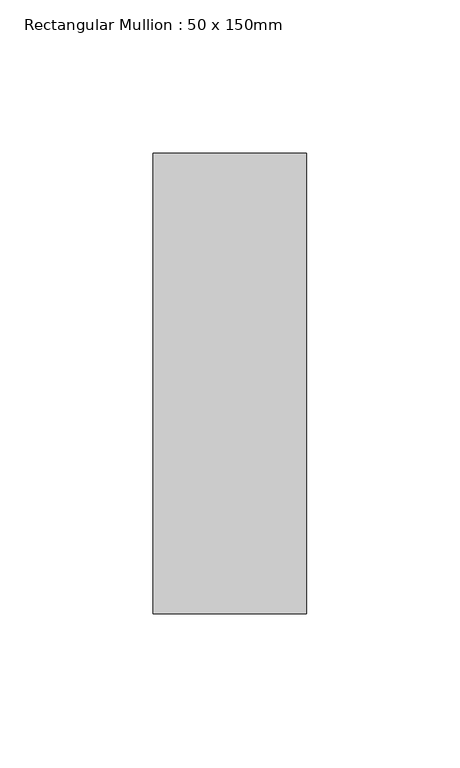
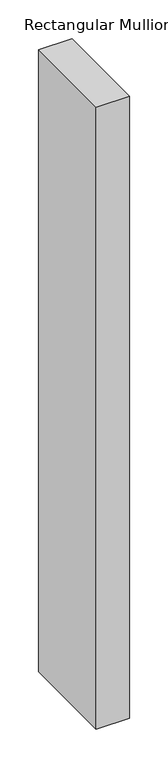
"""IFC4 building model written with IfcOpenShell, lengths in millimetres: member geometry, Rectangular Mullion : 50 x 150mm."""

from ifc_helpers import new_model, si_unit, frame, origin, place, context, project, spatial, polyline, outline, extrude, source, transform, mapped, element, save


def rectangular_mullion_50_x_150mm_7140515b(model_context):
    return source(origin(), model_context, "Body", "SweptSolid", [
        extrude(outline(polyline([(0.0, 75.0), (0.0, -75.0), (-50.0, -75.0), (-50.0, 75.0), (0.0, 75.0)])), frame((0.0, 0.0, -984.2832552), z_axis=(0.0, 0.0, 1.0), x_axis=(1.0, 0.0, 0.0)), (0.0, 0.0, 1.0), 984.2832552),
    ])


if __name__ == "__main__":
    model = new_model("IFC4")
    model_context = context("Model", 3, world=origin())
    ifc_project = project(units=[si_unit("LENGTHUNIT", "METRE", prefix="MILLI")], contexts=[model_context])
    site = spatial("IfcSite", under=ifc_project)
    building = spatial("IfcBuilding", under=site)
    placement = place(None, origin())
    rectangular_mullion_50_x_150mm_shape = rectangular_mullion_50_x_150mm_7140515b(model_context)
    element("IfcMember", 1, ObjectType="Rectangular Mullion : 50 x 150mm", at=placement, inside=building, context=model_context, shape_type="MappedRepresentation", body=[
        mapped(rectangular_mullion_50_x_150mm_shape, transform((0.0, 0.0, 0.0), x_axis=(1.0, 0.0, 0.0), y_axis=(0.0, 1.0, 0.0), z_axis=(0.0, 0.0, 1.0))),
    ])
    save(model, "model.ifc")
